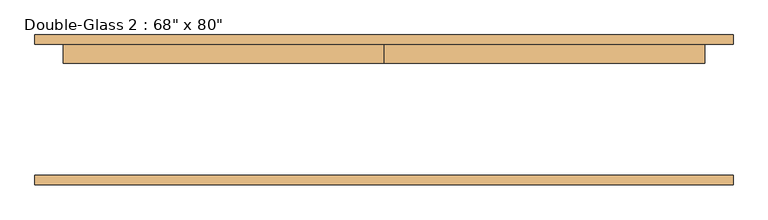
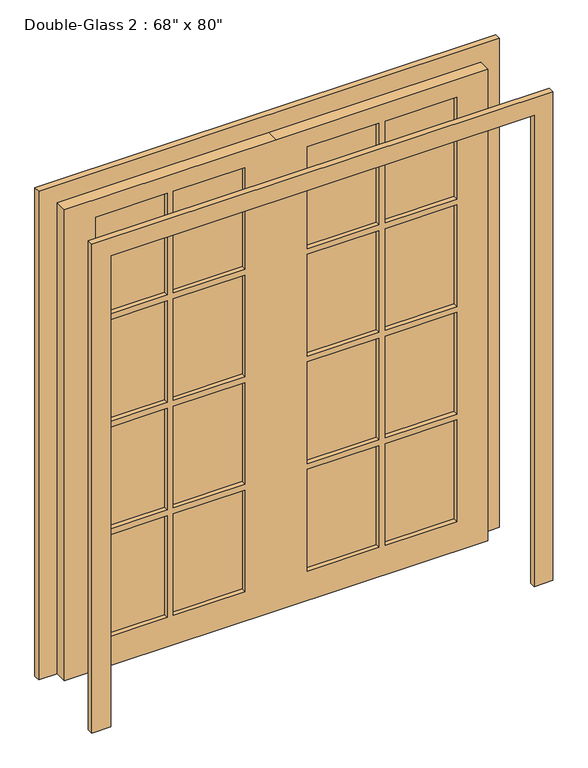
"""IFC4 building model written with IfcOpenShell, lengths in millimetres: door geometry."""

from ifc_helpers import new_model, si_unit, frame, origin, place, context, project, spatial, polyline, outline, extrude, source, transform, mapped, element, save


def door_a259427e(model_context):
    return source(origin(), model_context, "Body", "SweptSolid", [
        extrude(outline(polyline([(444.5, 157.1625), (736.6, 157.1625), (736.6, 144.4625), (444.5, 144.4625), (444.5, 157.1625)])), frame((0.0, 0.0, 1517.65), z_axis=(0.0, 0.0, 1.0), x_axis=(1.0, 0.0, 0.0)), (0.0, 0.0, 1.0), 438.15),
        extrude(outline(polyline([(127.0, 157.1625), (419.1, 157.1625), (419.1, 144.4625), (127.0, 144.4625), (127.0, 157.1625)])), frame((0.0, 0.0, 1517.65), z_axis=(0.0, 0.0, 1.0), x_axis=(1.0, 0.0, 0.0)), (0.0, 0.0, 1.0), 438.15),
        extrude(outline(polyline([(-419.1, 157.1625), (-127.0, 157.1625), (-127.0, 144.4625), (-419.1, 144.4625), (-419.1, 157.1625)])), frame((0.0, 0.0, 1517.65), z_axis=(0.0, 0.0, 1.0), x_axis=(1.0, 0.0, 0.0)), (0.0, 0.0, 1.0), 438.15),
        extrude(outline(polyline([(-736.6, 157.1625), (-444.5, 157.1625), (-444.5, 144.4625), (-736.6, 144.4625), (-736.6, 157.1625)])), frame((0.0, 0.0, 1517.65), z_axis=(0.0, 0.0, 1.0), x_axis=(1.0, 0.0, 0.0)), (0.0, 0.0, 1.0), 438.15),
        extrude(outline(polyline([(-736.6, 157.1625), (-444.5, 157.1625), (-444.5, 144.4625), (-736.6, 144.4625), (-736.6, 157.1625)])), frame((0.0, 0.0, 1054.1), z_axis=(0.0, 0.0, 1.0), x_axis=(1.0, 0.0, 0.0)), (0.0, 0.0, 1.0), 438.15),
        extrude(outline(polyline([(-419.1, 157.1625), (-127.0, 157.1625), (-127.0, 144.4625), (-419.1, 144.4625), (-419.1, 157.1625)])), frame((0.0, 0.0, 1054.1), z_axis=(0.0, 0.0, 1.0), x_axis=(1.0, 0.0, 0.0)), (0.0, 0.0, 1.0), 438.15),
        extrude(outline(polyline([(127.0, 157.1625), (419.1, 157.1625), (419.1, 144.4625), (127.0, 144.4625), (127.0, 157.1625)])), frame((0.0, 0.0, 1054.1), z_axis=(0.0, 0.0, 1.0), x_axis=(1.0, 0.0, 0.0)), (0.0, 0.0, 1.0), 438.15),
        extrude(outline(polyline([(444.5, 157.1625), (736.6, 157.1625), (736.6, 144.4625), (444.5, 144.4625), (444.5, 157.1625)])), frame((0.0, 0.0, 1054.1), z_axis=(0.0, 0.0, 1.0), x_axis=(1.0, 0.0, 0.0)), (0.0, 0.0, 1.0), 438.15),
        extrude(outline(polyline([(444.5, 157.1625), (736.6, 157.1625), (736.6, 144.4625), (444.5, 144.4625), (444.5, 157.1625)])), frame((0.0, 0.0, 590.55), z_axis=(0.0, 0.0, 1.0), x_axis=(1.0, 0.0, 0.0)), (0.0, 0.0, 1.0), 438.15),
        extrude(outline(polyline([(127.0, 157.1625), (419.1, 157.1625), (419.1, 144.4625), (127.0, 144.4625), (127.0, 157.1625)])), frame((0.0, 0.0, 590.55), z_axis=(0.0, 0.0, 1.0), x_axis=(1.0, 0.0, 0.0)), (0.0, 0.0, 1.0), 438.15),
        extrude(outline(polyline([(-419.1, 157.1625), (-127.0, 157.1625), (-127.0, 144.4625), (-419.1, 144.4625), (-419.1, 157.1625)])), frame((0.0, 0.0, 590.55), z_axis=(0.0, 0.0, 1.0), x_axis=(1.0, 0.0, 0.0)), (0.0, 0.0, 1.0), 438.15),
        extrude(outline(polyline([(-736.6, 157.1625), (-444.5, 157.1625), (-444.5, 144.4625), (-736.6, 144.4625), (-736.6, 157.1625)])), frame((0.0, 0.0, 590.55), z_axis=(0.0, 0.0, 1.0), x_axis=(1.0, 0.0, 0.0)), (0.0, 0.0, 1.0), 438.15),
        extrude(outline(polyline([(444.5, 157.1625), (736.6, 157.1625), (736.6, 144.4625), (444.5, 144.4625), (444.5, 157.1625)])), frame((0.0, 0.0, 127.0), z_axis=(0.0, 0.0, 1.0), x_axis=(1.0, 0.0, 0.0)), (0.0, 0.0, 1.0), 438.15),
        extrude(outline(polyline([(127.0, 157.1625), (419.1, 157.1625), (419.1, 144.4625), (127.0, 144.4625), (127.0, 157.1625)])), frame((0.0, 0.0, 127.0), z_axis=(0.0, 0.0, 1.0), x_axis=(1.0, 0.0, 0.0)), (0.0, 0.0, 1.0), 438.15),
        extrude(outline(polyline([(-419.1, 157.1625), (-127.0, 157.1625), (-127.0, 144.4625), (-419.1, 144.4625), (-419.1, 157.1625)])), frame((0.0, 0.0, 127.0), z_axis=(0.0, 0.0, 1.0), x_axis=(1.0, 0.0, 0.0)), (0.0, 0.0, 1.0), 438.15),
        extrude(outline(polyline([(-736.6, 157.1625), (-444.5, 157.1625), (-444.5, 144.4625), (-736.6, 144.4625), (-736.6, 157.1625)])), frame((0.0, 0.0, 127.0), z_axis=(0.0, 0.0, 1.0), x_axis=(1.0, 0.0, 0.0)), (0.0, 0.0, 1.0), 438.15),
        extrude(outline(polyline([(2032.0, 0.0), (2032.0, -863.6), (0.0, -863.6), (0.0, 0.0), (0.0, 863.6), (2032.0, 863.6), (2032.0, 0.0)]), holes=[polyline([(1955.8, 444.5), (1955.8, 736.6), (1517.65, 736.6), (1517.65, 444.5), (1955.8, 444.5)]), polyline([(1955.8, 127.0), (1955.8, 419.1), (1517.65, 419.1), (1517.65, 127.0), (1955.8, 127.0)]), polyline([(1492.25, 444.5), (1492.25, 736.6), (1054.1, 736.6), (1054.1, 444.5), (1492.25, 444.5)]), polyline([(1492.25, 127.0), (1492.25, 419.1), (1054.1, 419.1), (1054.1, 127.0), (1492.25, 127.0)]), polyline([(1028.7, 444.5), (1028.7, 736.6), (590.55, 736.6), (590.55, 444.5), (1028.7, 444.5)]), polyline([(1028.7, 127.0), (1028.7, 419.1), (590.55, 419.1), (590.55, 127.0), (1028.7, 127.0)]), polyline([(565.15, 444.5), (565.15, 736.6), (127.0, 736.6), (127.0, 444.5), (565.15, 444.5)]), polyline([(565.15, 127.0), (565.15, 419.1), (127.0, 419.1), (127.0, 127.0), (565.15, 127.0)]), polyline([(1955.8, -419.1), (1955.8, -127.0), (1517.65, -127.0), (1517.65, -419.1), (1955.8, -419.1)]), polyline([(1492.25, -419.1), (1492.25, -127.0), (1054.1, -127.0), (1054.1, -419.1), (1492.25, -419.1)]), polyline([(1492.25, -444.5), (1054.1, -444.5), (1054.1, -736.6), (1492.25, -736.6), (1492.25, -444.5)]), polyline([(1028.7, -419.1), (1028.7, -127.0), (590.55, -127.0), (590.55, -419.1), (1028.7, -419.1)]), polyline([(1028.7, -444.5), (590.55, -444.5), (590.55, -736.6), (1028.7, -736.6), (1028.7, -444.5)]), polyline([(565.15, -419.1), (565.15, -127.0), (127.0, -127.0), (127.0, -419.1), (565.15, -419.1)]), polyline([(565.15, -736.6), (565.15, -444.5), (127.0, -444.5), (127.0, -736.6), (565.15, -736.6)]), polyline([(1517.65, -444.5), (1517.65, -736.6), (1955.8, -736.6), (1955.8, -444.5), (1517.65, -444.5)])]), frame((0.0, 125.4125, 0.0), z_axis=(0.0, 1.0, 0.0), x_axis=(0.0, 0.0, 1.0)), (0.0, 0.0, 1.0), 50.8),
        extrude(outline(polyline([(2032.0, -863.6), (2032.0, 863.6), (0.0, 863.6), (0.0, 939.8), (2108.2, 939.8), (2108.2, -939.8), (0.0, -939.8), (0.0, -863.6), (2032.0, -863.6)])), frame((0.0, -201.6125, 0.0), z_axis=(0.0, 1.0, 0.0), x_axis=(0.0, 0.0, 1.0)), (0.0, 0.0, 1.0), 25.4),
        extrude(outline(polyline([(2032.0, -863.6), (2032.0, 863.6), (0.0, 863.6), (0.0, 939.8), (2108.2, 939.8), (2108.2, -939.8), (0.0, -939.8), (0.0, -863.6), (2032.0, -863.6)])), frame((0.0, 176.2125, 0.0), z_axis=(0.0, 1.0, 0.0), x_axis=(0.0, 0.0, 1.0)), (0.0, 0.0, 1.0), 25.4),
    ])


if __name__ == "__main__":
    model = new_model("IFC4")
    model_context = context("Model", 3, world=origin())
    ifc_project = project(units=[si_unit("LENGTHUNIT", "METRE", prefix="MILLI")], contexts=[model_context])
    site = spatial("IfcSite", under=ifc_project)
    building = spatial("IfcBuilding", under=site)
    placement = place(None, origin())
    door_shape = door_a259427e(model_context)
    element("IfcDoor", 1, ObjectType="Double-Glass 2 : 68\" x 80\"", at=placement, inside=building, context=model_context, shape_type="MappedRepresentation", body=[
        mapped(door_shape, transform((0.0, 0.0, 0.0), x_axis=(1.0, 0.0, 0.0), y_axis=(0.0, 1.0, 0.0), z_axis=(0.0, 0.0, 1.0))),
    ])
    save(model, "model.ifc")
